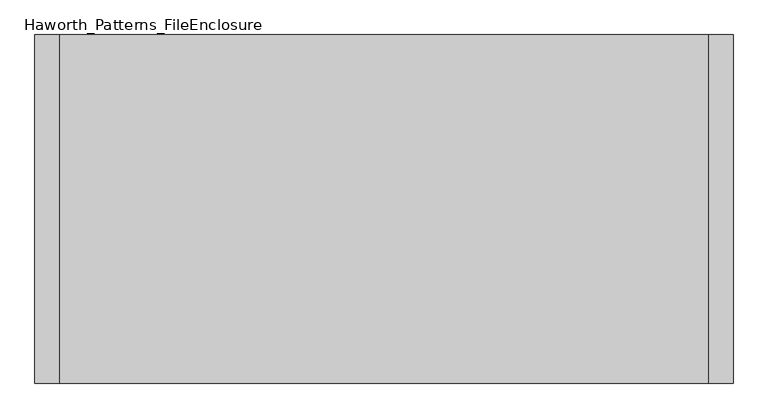
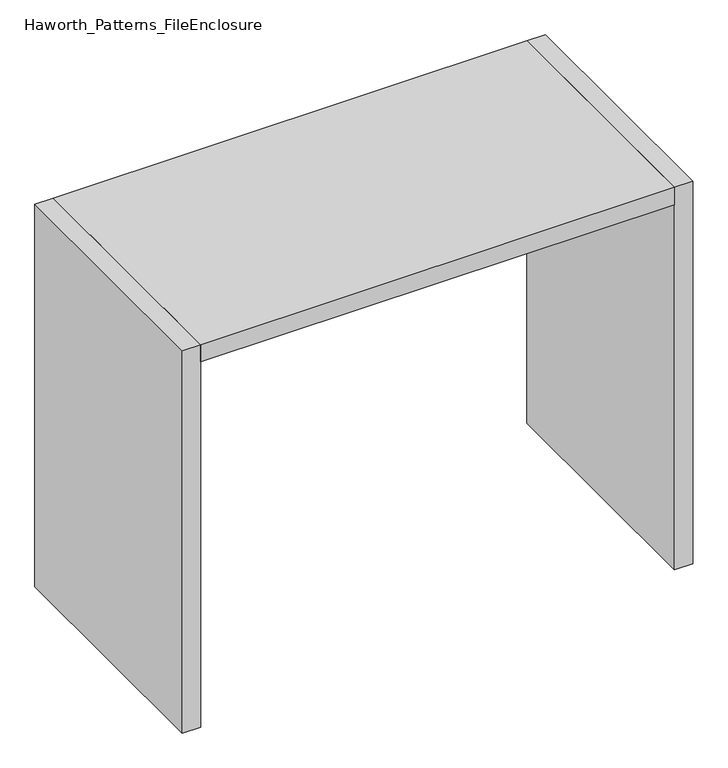
"""IFC4 building model written with IfcOpenShell, lengths in millimetres: furniture geometry, Haworth_Patterns_FileEnclosure."""

from ifc_helpers import new_model, si_unit, frame, origin, origin_with_axes, place, context, project, spatial, polyline, outline, extrude, source, transform, mapped, element, save


def haworth_patterns_fileenclosure_bc3368eb(model_context):
    return source(origin(), model_context, "Body", "SweptSolid", [
        extrude(outline(polyline([(990.6, 0.0), (990.6, -1066.8), (-990.6, -1066.8), (-990.6, 0.0), (990.6, 0.0)])), frame((0.0, 0.0, 1612.9), z_axis=(0.0, 0.0, 1.0), x_axis=(1.0, 0.0, 0.0)), (0.0, 0.0, 1.0), 76.2),
        extrude(outline(polyline([(990.6, 0.0), (1066.8, 0.0), (1066.8, -1066.8), (990.6, -1066.8), (990.6, 0.0)])), origin_with_axes(), (0.0, 0.0, 1.0), 1689.1),
        extrude(outline(polyline([(-990.6, 0.0), (-990.6, -1066.8), (-1066.8, -1066.8), (-1066.8, 0.0), (-990.6, 0.0)])), origin_with_axes(), (0.0, 0.0, 1.0), 1689.1),
    ])


if __name__ == "__main__":
    model = new_model("IFC4")
    model_context = context("Model", 3, world=origin())
    ifc_project = project(units=[si_unit("LENGTHUNIT", "METRE", prefix="MILLI")], contexts=[model_context])
    site = spatial("IfcSite", under=ifc_project)
    building = spatial("IfcBuilding", under=site)
    placement = place(None, origin())
    haworth_patterns_fileenclosure_shape = haworth_patterns_fileenclosure_bc3368eb(model_context)
    element("IfcFurniture", 1, ObjectType="Haworth_Patterns_FileEnclosure", at=placement, inside=building, context=model_context, shape_type="MappedRepresentation", body=[
        mapped(haworth_patterns_fileenclosure_shape, transform((0.0, 0.0, 0.0), x_axis=(1.0, 0.0, 0.0), y_axis=(0.0, 1.0, 0.0), z_axis=(0.0, 0.0, 1.0))),
    ])
    save(model, "model.ifc")
